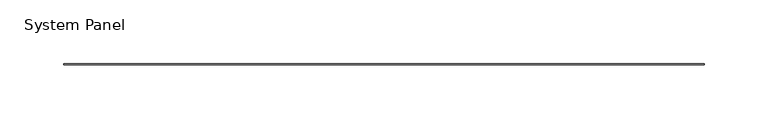
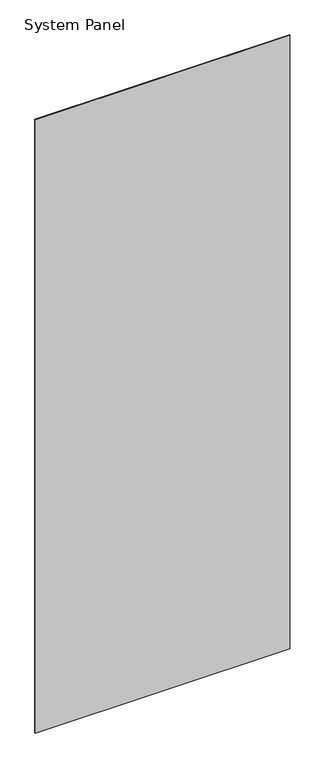
"""IFC4 building model written with IfcOpenShell, lengths in millimetres: plate geometry, System Panel."""

from ifc_helpers import new_model, si_unit, origin, origin_with_axes, place, context, project, spatial, polyline, outline, extrude, source, transform, mapped, element, save


def system_panel_42ccd58f(model_context):
    return source(origin(), model_context, "Body", "SweptSolid", [
        extrude(outline(polyline([(252.3490002, -0.4960937), (-252.3490002, -0.4960937), (-252.3490002, 0.4960938), (252.3490002, 0.4960938), (252.3490002, -0.4960937)])), origin_with_axes(), (0.0, 0.0, 1.0), 1285.875),
    ])


if __name__ == "__main__":
    model = new_model("IFC4")
    model_context = context("Model", 3, world=origin())
    ifc_project = project(units=[si_unit("LENGTHUNIT", "METRE", prefix="MILLI")], contexts=[model_context])
    site = spatial("IfcSite", under=ifc_project)
    building = spatial("IfcBuilding", under=site)
    placement = place(None, origin())
    system_panel_shape = system_panel_42ccd58f(model_context)
    element("IfcPlate", 1, ObjectType="System Panel", at=placement, inside=building, context=model_context, shape_type="MappedRepresentation", body=[
        mapped(system_panel_shape, transform((0.0, 0.0, 0.0), x_axis=(1.0, 0.0, 0.0), y_axis=(0.0, 1.0, 0.0), z_axis=(0.0, 0.0, 1.0))),
    ])
    save(model, "model.ifc")
